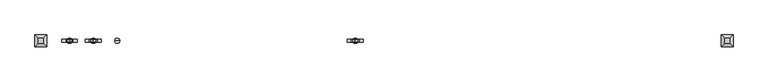
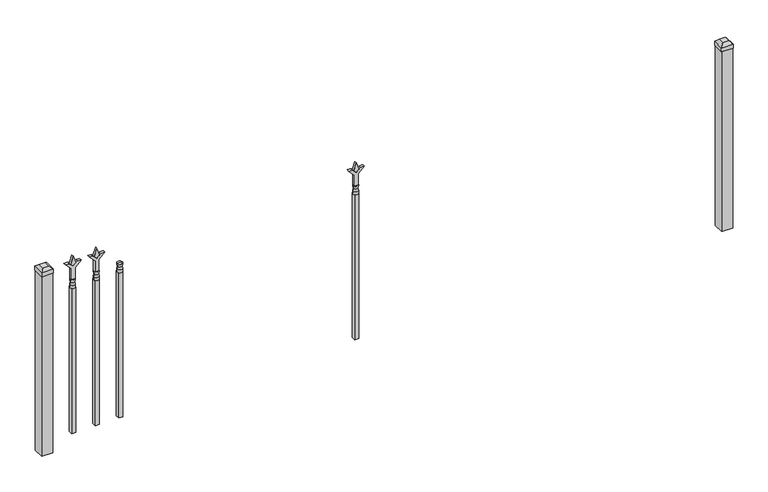
"""IFC4 building model written with IfcOpenShell, lengths in millimetres: railing geometry."""

from ifc_helpers import new_model, si_unit, frame, origin, origin_with_axes, place, context, project, spatial, polyline, circle_curve, outline, extrude, faceted_brep, source, transform, mapped, element, save
from ifc_brep_helpers import plane_surface, cylinder_surface, revolved_surface, advanced_brep


def railing_198e35d6(model_context):
    return source(origin(), model_context, "Body", "SolidModel", [
        advanced_brep(
        [(-91437.7035036, -9169.6570174, 774.7), (-91461.5160036, -9169.6570174, 774.7), (-91461.5160036, -9169.6570174, 762.0), (-91437.7035036, -9169.6570174, 762.0), (-91439.9088355, -9169.6570174, 787.2070585), (-91459.3106718, -9169.6570174, 787.2070585), (-91437.7035036, -9169.6570174, 803.275), (-91461.5160036, -9169.6570174, 803.275), (-91449.6097536, -9169.6570174, 803.275), (-91449.6097536, -9169.6570174, 762.0)],
        [
            (0, 1, circle_curve(frame((-91449.6097536, -9169.6570174, 774.7), z_axis=(0.0, 0.0, -1.0), x_axis=(-1.0, 0.0, 0.0)), 11.90625)),
            (1, 2),
            (2, 3, circle_curve(frame((-91449.6097536, -9169.6570174, 762.0), z_axis=(0.0, 0.0, 1.0), x_axis=(-1.0, 0.0, 0.0)), 11.90625)),
            (3, 0),
            (1, 0, circle_curve(frame((-91449.6097536, -9169.6570174, 774.7), z_axis=(0.0, 0.0, -1.0), x_axis=(-1.0, 0.0, 0.0)), 11.90625)),
            (3, 2, circle_curve(frame((-91449.6097536, -9169.6570174, 762.0), z_axis=(0.0, 0.0, 1.0), x_axis=(-1.0, 0.0, 0.0)), 11.90625)),
            (4, 5, circle_curve(frame((-91449.6097536, -9169.6570174, 787.2070585), z_axis=(0.0, 0.0, -1.0), x_axis=(-1.0, 0.0, 0.0)), 9.7009181)),
            (5, 1),
            (0, 4),
            (5, 4, circle_curve(frame((-91449.6097536, -9169.6570174, 787.2070585), z_axis=(0.0, 0.0, -1.0), x_axis=(-1.0, 0.0, 0.0)), 9.7009181)),
            (6, 7, circle_curve(frame((-91449.6097536, -9169.6570174, 803.275), z_axis=(0.0, 0.0, -1.0), x_axis=(-1.0, 0.0, 0.0)), 11.90625)),
            (7, 5),
            (4, 6),
            (7, 6, circle_curve(frame((-91449.6097536, -9169.6570174, 803.275), z_axis=(0.0, 0.0, -1.0), x_axis=(-1.0, 0.0, 0.0)), 11.90625)),
            (8, 7),
            (6, 8),
            (2, 9),
            (9, 3),
        ],
        [
            cylinder_surface(frame((-91449.6097536, -9169.6570174, 762.0), z_axis=(0.0, 0.0, 1.0), x_axis=(-1.0, 0.0, 0.0)), 11.90625),
            revolved_surface(polyline([(-91461.5160036, -9169.6570174, 774.7), (-91459.3106718, -9169.6570174, 787.2070585)]), (-91449.6097536, -9169.6570174, 762.0), (0.0, 0.0, 1.0)),
            revolved_surface(polyline([(-91459.3106718, -9169.6570174, 787.2070585), (-91461.5160036, -9169.6570174, 803.275)]), (-91449.6097536, -9169.6570174, 762.0), (0.0, 0.0, 1.0)),
            plane_surface(frame((-91449.6097536, -9169.6570174, 803.275), z_axis=(0.0, 0.0, 1.0), x_axis=(-1.0, 0.0, 0.0))),
            plane_surface(frame((-91449.6097536, -9169.6570174, 762.0), z_axis=(0.0, 0.0, -1.0), x_axis=(-1.0, 0.0, 0.0))),
        ],
        [
            (0, [[1, 2, 3, 4]]),
            (0, [[5, -4, 6, -2]]),
            (1, [[7, 8, -1, 9]]),
            (1, [[10, -9, -5, -8]]),
            (2, [[11, 12, -7, 13]]),
            (2, [[14, -13, -10, -12]]),
            (3, [[15, -11, 16]]),
            (3, [[-16, -14, -15]]),
            (4, [[-3, 17, 18]]),
            (4, [[-6, -18, -17]]),
        ],
    ),
        extrude(outline(polyline([(-91459.1347536, -9160.1320174), (-91440.0847536, -9160.1320174), (-91440.0847536, -9179.1820174), (-91459.1347536, -9179.1820174), (-91459.1347536, -9160.1320174)])), frame((0.0, 0.0, 50.8), z_axis=(0.0, 0.0, 1.0), x_axis=(1.0, 0.0, 0.0)), (0.0, 0.0, 1.0), 711.2),
        extrude(outline(polyline([(878.68125, -91546.9764203), (914.4, -91558.8826703), (878.68125, -91570.7889203), (866.775, -91558.8826703), (878.68125, -91546.9764203)])), frame((0.0, -9174.4195174, 0.0), z_axis=(0.0, 1.0, 0.0), x_axis=(0.0, 0.0, 1.0)), (0.0, 0.0, 1.0), 9.525),
        extrude(outline(polyline([(803.275, -91550.1514203), (857.5457378, -91550.1514203), (884.7355122, -91522.9616458), (884.7355122, -91540.9221581), (866.775, -91558.8826703), (884.7355122, -91576.8431825), (884.7355122, -91594.8036948), (857.5457378, -91567.6139203), (803.275, -91567.6139203), (803.275, -91550.1514203)])), frame((0.0, -9176.0070174, 0.0), z_axis=(0.0, 1.0, 0.0), x_axis=(0.0, 0.0, 1.0)), (0.0, 0.0, 1.0), 12.7),
        advanced_brep(
        [(-91546.9764203, -9169.6570174, 774.7), (-91570.7889203, -9169.6570174, 774.7), (-91570.7889203, -9169.6570174, 762.0), (-91546.9764203, -9169.6570174, 762.0), (-91549.1817522, -9169.6570174, 787.2070585), (-91568.5835884, -9169.6570174, 787.2070585), (-91546.9764203, -9169.6570174, 803.275), (-91570.7889203, -9169.6570174, 803.275), (-91558.8826703, -9169.6570174, 803.275), (-91558.8826703, -9169.6570174, 762.0)],
        [
            (0, 1, circle_curve(frame((-91558.8826703, -9169.6570174, 774.7), z_axis=(0.0, 0.0, -1.0), x_axis=(-1.0, 0.0, 0.0)), 11.90625)),
            (1, 2),
            (2, 3, circle_curve(frame((-91558.8826703, -9169.6570174, 762.0), z_axis=(0.0, 0.0, 1.0), x_axis=(-1.0, 0.0, 0.0)), 11.90625)),
            (3, 0),
            (1, 0, circle_curve(frame((-91558.8826703, -9169.6570174, 774.7), z_axis=(0.0, 0.0, -1.0), x_axis=(-1.0, 0.0, 0.0)), 11.90625)),
            (3, 2, circle_curve(frame((-91558.8826703, -9169.6570174, 762.0), z_axis=(0.0, 0.0, 1.0), x_axis=(-1.0, 0.0, 0.0)), 11.90625)),
            (4, 5, circle_curve(frame((-91558.8826703, -9169.6570174, 787.2070585), z_axis=(0.0, 0.0, -1.0), x_axis=(-1.0, 0.0, 0.0)), 9.7009181)),
            (5, 1),
            (0, 4),
            (5, 4, circle_curve(frame((-91558.8826703, -9169.6570174, 787.2070585), z_axis=(0.0, 0.0, -1.0), x_axis=(-1.0, 0.0, 0.0)), 9.7009181)),
            (6, 7, circle_curve(frame((-91558.8826703, -9169.6570174, 803.275), z_axis=(0.0, 0.0, -1.0), x_axis=(-1.0, 0.0, 0.0)), 11.90625)),
            (7, 5),
            (4, 6),
            (7, 6, circle_curve(frame((-91558.8826703, -9169.6570174, 803.275), z_axis=(0.0, 0.0, -1.0), x_axis=(-1.0, 0.0, 0.0)), 11.90625)),
            (8, 7),
            (6, 8),
            (2, 9),
            (9, 3),
        ],
        [
            cylinder_surface(frame((-91558.8826703, -9169.6570174, 762.0), z_axis=(0.0, 0.0, 1.0), x_axis=(-1.0, 0.0, 0.0)), 11.90625),
            revolved_surface(polyline([(-91570.7889203, -9169.6570174, 774.7), (-91568.5835884, -9169.6570174, 787.2070585)]), (-91558.8826703, -9169.6570174, 762.0), (0.0, 0.0, 1.0)),
            revolved_surface(polyline([(-91568.5835884, -9169.6570174, 787.2070585), (-91570.7889203, -9169.6570174, 803.275)]), (-91558.8826703, -9169.6570174, 762.0), (0.0, 0.0, 1.0)),
            plane_surface(frame((-91558.8826703, -9169.6570174, 803.275), z_axis=(0.0, 0.0, 1.0), x_axis=(-1.0, 0.0, 0.0))),
            plane_surface(frame((-91558.8826703, -9169.6570174, 762.0), z_axis=(0.0, 0.0, -1.0), x_axis=(-1.0, 0.0, 0.0))),
        ],
        [
            (0, [[1, 2, 3, 4]]),
            (0, [[5, -4, 6, -2]]),
            (1, [[7, 8, -1, 9]]),
            (1, [[10, -9, -5, -8]]),
            (2, [[11, 12, -7, 13]]),
            (2, [[14, -13, -10, -12]]),
            (3, [[15, -11, 16]]),
            (3, [[-16, -14, -15]]),
            (4, [[-3, 17, 18]]),
            (4, [[-6, -18, -17]]),
        ],
    ),
        extrude(outline(polyline([(-91568.4076703, -9160.1320174), (-91549.3576703, -9160.1320174), (-91549.3576703, -9179.1820174), (-91568.4076703, -9179.1820174), (-91568.4076703, -9160.1320174)])), frame((0.0, 0.0, 50.8), z_axis=(0.0, 0.0, 1.0), x_axis=(1.0, 0.0, 0.0)), (0.0, 0.0, 1.0), 711.2),
        extrude(outline(polyline([(878.68125, -90344.974337), (914.4, -90356.880587), (878.68125, -90368.786837), (866.775, -90356.880587), (878.68125, -90344.974337)])), frame((0.0, -9174.4195174, 0.0), z_axis=(0.0, 1.0, 0.0), x_axis=(0.0, 0.0, 1.0)), (0.0, 0.0, 1.0), 9.525),
        extrude(outline(polyline([(803.275, -90348.149337), (857.5457378, -90348.149337), (884.7355122, -90320.9595625), (884.7355122, -90338.9200747), (866.775, -90356.880587), (884.7355122, -90374.8410992), (884.7355122, -90392.8016114), (857.5457378, -90365.611837), (803.275, -90365.611837), (803.275, -90348.149337)])), frame((0.0, -9176.0070174, 0.0), z_axis=(0.0, 1.0, 0.0), x_axis=(0.0, 0.0, 1.0)), (0.0, 0.0, 1.0), 12.7),
        advanced_brep(
        [(-90344.974337, -9169.6570174, 774.7), (-90368.786837, -9169.6570174, 774.7), (-90368.786837, -9169.6570174, 762.0), (-90344.974337, -9169.6570174, 762.0), (-90347.1796688, -9169.6570174, 787.2070585), (-90366.5815051, -9169.6570174, 787.2070585), (-90344.974337, -9169.6570174, 803.275), (-90368.786837, -9169.6570174, 803.275), (-90356.880587, -9169.6570174, 803.275), (-90356.880587, -9169.6570174, 762.0)],
        [
            (0, 1, circle_curve(frame((-90356.880587, -9169.6570174, 774.7), z_axis=(0.0, 0.0, -1.0), x_axis=(-1.0, 0.0, 0.0)), 11.90625)),
            (1, 2),
            (2, 3, circle_curve(frame((-90356.880587, -9169.6570174, 762.0), z_axis=(0.0, 0.0, 1.0), x_axis=(-1.0, 0.0, 0.0)), 11.90625)),
            (3, 0),
            (1, 0, circle_curve(frame((-90356.880587, -9169.6570174, 774.7), z_axis=(0.0, 0.0, -1.0), x_axis=(-1.0, 0.0, 0.0)), 11.90625)),
            (3, 2, circle_curve(frame((-90356.880587, -9169.6570174, 762.0), z_axis=(0.0, 0.0, 1.0), x_axis=(-1.0, 0.0, 0.0)), 11.90625)),
            (4, 5, circle_curve(frame((-90356.880587, -9169.6570174, 787.2070585), z_axis=(0.0, 0.0, -1.0), x_axis=(-1.0, 0.0, 0.0)), 9.7009181)),
            (5, 1),
            (0, 4),
            (5, 4, circle_curve(frame((-90356.880587, -9169.6570174, 787.2070585), z_axis=(0.0, 0.0, -1.0), x_axis=(-1.0, 0.0, 0.0)), 9.7009181)),
            (6, 7, circle_curve(frame((-90356.880587, -9169.6570174, 803.275), z_axis=(0.0, 0.0, -1.0), x_axis=(-1.0, 0.0, 0.0)), 11.90625)),
            (7, 5),
            (4, 6),
            (7, 6, circle_curve(frame((-90356.880587, -9169.6570174, 803.275), z_axis=(0.0, 0.0, -1.0), x_axis=(-1.0, 0.0, 0.0)), 11.90625)),
            (8, 7),
            (6, 8),
            (2, 9),
            (9, 3),
        ],
        [
            cylinder_surface(frame((-90356.880587, -9169.6570174, 762.0), z_axis=(0.0, 0.0, 1.0), x_axis=(-1.0, 0.0, 0.0)), 11.90625),
            revolved_surface(polyline([(-90368.786837, -9169.6570174, 774.7), (-90366.5815051, -9169.6570174, 787.2070585)]), (-90356.880587, -9169.6570174, 762.0), (0.0, 0.0, 1.0)),
            revolved_surface(polyline([(-90366.5815051, -9169.6570174, 787.2070585), (-90368.786837, -9169.6570174, 803.275)]), (-90356.880587, -9169.6570174, 762.0), (0.0, 0.0, 1.0)),
            plane_surface(frame((-90356.880587, -9169.6570174, 803.275), z_axis=(0.0, 0.0, 1.0), x_axis=(-1.0, 0.0, 0.0))),
            plane_surface(frame((-90356.880587, -9169.6570174, 762.0), z_axis=(0.0, 0.0, -1.0), x_axis=(-1.0, 0.0, 0.0))),
        ],
        [
            (0, [[1, 2, 3, 4]]),
            (0, [[5, -4, 6, -2]]),
            (1, [[7, 8, -1, 9]]),
            (1, [[10, -9, -5, -8]]),
            (2, [[11, 12, -7, 13]]),
            (2, [[14, -13, -10, -12]]),
            (3, [[15, -11, 16]]),
            (3, [[-16, -14, -15]]),
            (4, [[-3, 17, 18]]),
            (4, [[-6, -18, -17]]),
        ],
    ),
        extrude(outline(polyline([(-90366.405587, -9160.1320174), (-90347.355587, -9160.1320174), (-90347.355587, -9179.1820174), (-90366.405587, -9179.1820174), (-90366.405587, -9160.1320174)])), frame((0.0, 0.0, 50.8), z_axis=(0.0, 0.0, 1.0), x_axis=(1.0, 0.0, 0.0)), (0.0, 0.0, 1.0), 711.2),
        extrude(outline(polyline([(878.68125, -91656.249337), (914.4, -91668.155587), (878.68125, -91680.061837), (866.775, -91668.155587), (878.68125, -91656.249337)])), frame((0.0, -9174.4195174, 0.0), z_axis=(0.0, 1.0, 0.0), x_axis=(0.0, 0.0, 1.0)), (0.0, 0.0, 1.0), 9.525),
        extrude(outline(polyline([(803.275, -91659.424337), (857.5457378, -91659.424337), (884.7355122, -91632.2345625), (884.7355122, -91650.1950747), (866.775, -91668.155587), (884.7355122, -91686.1160992), (884.7355122, -91704.0766114), (857.5457378, -91676.886837), (803.275, -91676.886837), (803.275, -91659.424337)])), frame((0.0, -9176.0070174, 0.0), z_axis=(0.0, 1.0, 0.0), x_axis=(0.0, 0.0, 1.0)), (0.0, 0.0, 1.0), 12.7),
        advanced_brep(
        [(-91656.249337, -9169.6570174, 774.7), (-91680.061837, -9169.6570174, 774.7), (-91680.061837, -9169.6570174, 762.0), (-91656.249337, -9169.6570174, 762.0), (-91658.4546688, -9169.6570174, 787.2070585), (-91677.8565051, -9169.6570174, 787.2070585), (-91656.249337, -9169.6570174, 803.275), (-91680.061837, -9169.6570174, 803.275), (-91668.155587, -9169.6570174, 803.275), (-91668.155587, -9169.6570174, 762.0)],
        [
            (0, 1, circle_curve(frame((-91668.155587, -9169.6570174, 774.7), z_axis=(0.0, 0.0, -1.0), x_axis=(-1.0, 0.0, 0.0)), 11.90625)),
            (1, 2),
            (2, 3, circle_curve(frame((-91668.155587, -9169.6570174, 762.0), z_axis=(0.0, 0.0, 1.0), x_axis=(-1.0, 0.0, 0.0)), 11.90625)),
            (3, 0),
            (1, 0, circle_curve(frame((-91668.155587, -9169.6570174, 774.7), z_axis=(0.0, 0.0, -1.0), x_axis=(-1.0, 0.0, 0.0)), 11.90625)),
            (3, 2, circle_curve(frame((-91668.155587, -9169.6570174, 762.0), z_axis=(0.0, 0.0, 1.0), x_axis=(-1.0, 0.0, 0.0)), 11.90625)),
            (4, 5, circle_curve(frame((-91668.155587, -9169.6570174, 787.2070585), z_axis=(0.0, 0.0, -1.0), x_axis=(-1.0, 0.0, 0.0)), 9.7009181)),
            (5, 1),
            (0, 4),
            (5, 4, circle_curve(frame((-91668.155587, -9169.6570174, 787.2070585), z_axis=(0.0, 0.0, -1.0), x_axis=(-1.0, 0.0, 0.0)), 9.7009181)),
            (6, 7, circle_curve(frame((-91668.155587, -9169.6570174, 803.275), z_axis=(0.0, 0.0, -1.0), x_axis=(-1.0, 0.0, 0.0)), 11.90625)),
            (7, 5),
            (4, 6),
            (7, 6, circle_curve(frame((-91668.155587, -9169.6570174, 803.275), z_axis=(0.0, 0.0, -1.0), x_axis=(-1.0, 0.0, 0.0)), 11.90625)),
            (8, 7),
            (6, 8),
            (2, 9),
            (9, 3),
        ],
        [
            cylinder_surface(frame((-91668.155587, -9169.6570174, 762.0), z_axis=(0.0, 0.0, 1.0), x_axis=(-1.0, 0.0, 0.0)), 11.90625),
            revolved_surface(polyline([(-91680.061837, -9169.6570174, 774.7), (-91677.8565051, -9169.6570174, 787.2070585)]), (-91668.155587, -9169.6570174, 762.0), (0.0, 0.0, 1.0)),
            revolved_surface(polyline([(-91677.8565051, -9169.6570174, 787.2070585), (-91680.061837, -9169.6570174, 803.275)]), (-91668.155587, -9169.6570174, 762.0), (0.0, 0.0, 1.0)),
            plane_surface(frame((-91668.155587, -9169.6570174, 803.275), z_axis=(0.0, 0.0, 1.0), x_axis=(-1.0, 0.0, 0.0))),
            plane_surface(frame((-91668.155587, -9169.6570174, 762.0), z_axis=(0.0, 0.0, -1.0), x_axis=(-1.0, 0.0, 0.0))),
        ],
        [
            (0, [[1, 2, 3, 4]]),
            (0, [[5, -4, 6, -2]]),
            (1, [[7, 8, -1, 9]]),
            (1, [[10, -9, -5, -8]]),
            (2, [[11, 12, -7, 13]]),
            (2, [[14, -13, -10, -12]]),
            (3, [[15, -11, 16]]),
            (3, [[-16, -14, -15]]),
            (4, [[-3, 17, 18]]),
            (4, [[-6, -18, -17]]),
        ],
    ),
        extrude(outline(polyline([(-91677.680587, -9160.1320174), (-91658.630587, -9160.1320174), (-91658.630587, -9179.1820174), (-91677.680587, -9179.1820174), (-91677.680587, -9160.1320174)])), frame((0.0, 0.0, 50.8), z_axis=(0.0, 0.0, 1.0), x_axis=(1.0, 0.0, 0.0)), (0.0, 0.0, 1.0), 711.2),
        faceted_brep([(-88677.305587, -9142.6695174, 901.7), (-88677.305587, -9142.6695174, 882.65), (-88677.305587, -9196.6445174, 882.65), (-88677.305587, -9196.6445174, 901.7), (-88664.605587, -9155.3695174, 914.4), (-88664.605587, -9183.9445174, 914.4), (-88623.330587, -9196.6445174, 882.65), (-88623.330587, -9196.6445174, 901.7), (-88636.030587, -9183.9445174, 914.4), (-88623.330587, -9142.6695174, 882.65), (-88623.330587, -9142.6695174, 901.7), (-88636.030587, -9155.3695174, 914.4)], [[[0, 1, 2, 3]], [[4, 0, 3, 5]], [[3, 2, 6, 7]], [[5, 3, 7, 8]], [[7, 6, 9, 10]], [[8, 7, 10, 11]], [[10, 9, 1, 0]], [[11, 10, 0, 4]], [[5, 8, 11, 4]], [[1, 9, 6, 2]]]),
        extrude(outline(polyline([(-88624.918087, -9144.2570174), (-88624.918087, -9195.0570174), (-88675.718087, -9195.0570174), (-88675.718087, -9144.2570174), (-88624.918087, -9144.2570174)])), origin_with_axes(), (0.0, 0.0, 1.0), 882.65),
        faceted_brep([(-91826.905587, -9142.6695174, 901.7), (-91826.905587, -9142.6695174, 882.65), (-91826.905587, -9196.6445174, 882.65), (-91826.905587, -9196.6445174, 901.7), (-91814.205587, -9155.3695174, 914.4), (-91814.205587, -9183.9445174, 914.4), (-91772.930587, -9196.6445174, 882.65), (-91772.930587, -9196.6445174, 901.7), (-91785.630587, -9183.9445174, 914.4), (-91772.930587, -9142.6695174, 882.65), (-91772.930587, -9142.6695174, 901.7), (-91785.630587, -9155.3695174, 914.4)], [[[0, 1, 2, 3]], [[4, 0, 3, 5]], [[3, 2, 6, 7]], [[5, 3, 7, 8]], [[7, 6, 9, 10]], [[8, 7, 10, 11]], [[10, 9, 1, 0]], [[11, 10, 0, 4]], [[5, 8, 11, 4]], [[1, 9, 6, 2]]]),
        extrude(outline(polyline([(-91774.518087, -9144.2570174), (-91774.518087, -9195.0570174), (-91825.318087, -9195.0570174), (-91825.318087, -9144.2570174), (-91774.518087, -9144.2570174)])), origin_with_axes(), (0.0, 0.0, 1.0), 882.65),
    ])


if __name__ == "__main__":
    model = new_model("IFC4")
    model_context = context("Model", 3, world=origin())
    ifc_project = project(units=[si_unit("LENGTHUNIT", "METRE", prefix="MILLI")], contexts=[model_context])
    site = spatial("IfcSite", under=ifc_project)
    building = spatial("IfcBuilding", under=site)
    placement = place(None, origin())
    railing_shape = railing_198e35d6(model_context)
    element("IfcRailing", 1, at=placement, inside=building, context=model_context, shape_type="MappedRepresentation", body=[
        mapped(railing_shape, transform((0.0, 0.0, 0.0), x_axis=(1.0, 0.0, 0.0), y_axis=(0.0, 1.0, 0.0), z_axis=(0.0, 0.0, 1.0))),
    ])
    save(model, "model.ifc")
